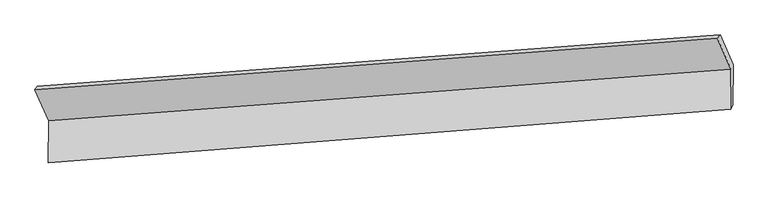
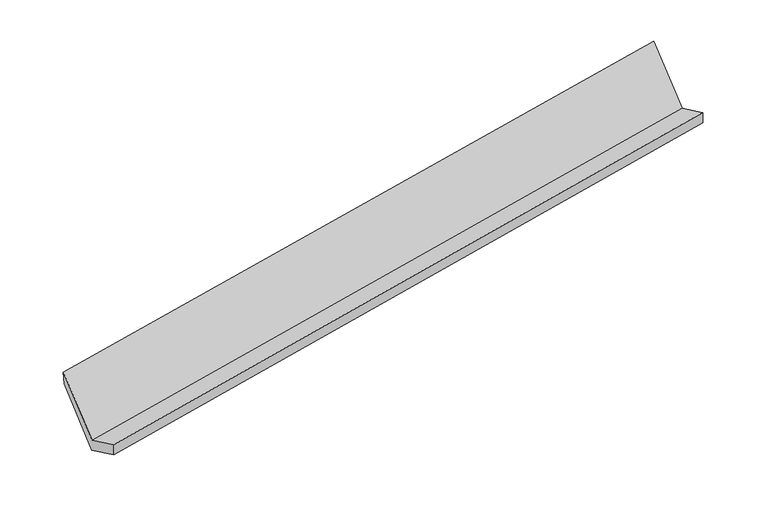
"""IFC4 building model written with IfcOpenShell, lengths in millimetres: proxy geometry."""

import ifcopenshell
import ifcopenshell.guid

model = None  # the IFC model being written
_history = None  # IfcOwnerHistory: only IFC2X3 demands one
_inside = {}  # id of a spatial element -> (the spatial element, [elements in it])
_under = {}  # id of a project, library or spatial element -> (it, [spatial elements below it])
_declared = {}  # id of a project -> (the project, [libraries it declares])
_typed = {}  # id of a type object -> (the type object, [elements of that type])
_made_of = {}  # id of a material, layer set ... -> (it, [elements and type objects made of it])


def new_model(schema):
    """Start an empty IFC model of exactly this schema.

    Asked for "IFC4X3", IfcOpenShell would pick the latest addendum, in which some entities
    have other attributes; the version numbers below select the first issue.
    IFC2X3 requires an IfcOwnerHistory on every rooted entity: one is made here for all.
    """
    global model, _history
    if schema == "IFC4X3":
        model = ifcopenshell.file(schema_version=(4, 3, 0, 0))
    else:
        model = ifcopenshell.file(schema=schema)
    _inside.clear()
    _under.clear()
    _declared.clear()
    _typed.clear()
    _made_of.clear()
    _history = None
    if model.schema == "IFC2X3":
        org = make("IfcOrganization", Name="unknown")
        user = make(
            "IfcPersonAndOrganization",
            ThePerson=make("IfcPerson", FamilyName="unknown"),
            TheOrganization=org,
        )
        app = make(
            "IfcApplication",
            ApplicationDeveloper=org,
            Version="unknown",
            ApplicationFullName="unknown",
            ApplicationIdentifier="unknown",
        )
        _history = make(
            "IfcOwnerHistory",
            OwningUser=user,
            OwningApplication=app,
            ChangeAction="ADDED",
            CreationDate=0,
        )
    return model


def make(cls, **values):
    """One entity of the class cls with the attributes given. An attribute that is None is left unset."""
    return model.create_entity(
        cls, **{name: value for name, value in values.items() if value is not None}
    )


def rooted(cls, **values):
    """An entity with a GlobalId (a new one), such as an element, a storey or a relation."""
    return make(cls, GlobalId=ifcopenshell.guid.new(), OwnerHistory=_history, **values)


def si_unit(unit_type, name, prefix=None):
    """IfcSIUnit, for example si_unit("LENGTHUNIT", "METRE", prefix="MILLI")."""
    return make("IfcSIUnit", UnitType=unit_type, Prefix=prefix, Name=name)


def assignment(units):
    """IfcUnitAssignment: the units of a project."""
    return None if units is None else make("IfcUnitAssignment", Units=units)


def point(xyz):
    """IfcCartesianPoint."""
    return None if xyz is None else make("IfcCartesianPoint", Coordinates=xyz)


def direction(xyz):
    """IfcDirection."""
    return None if xyz is None else make("IfcDirection", DirectionRatios=xyz)


def frame(location, z_axis=None, x_axis=None):
    """IfcAxis2Placement3D, a coordinate frame: its origin and axes. An axis left out is left unset."""
    return make(
        "IfcAxis2Placement3D",
        Location=point(location),
        Axis=direction(z_axis),
        RefDirection=direction(x_axis),
    )


def origin():
    """The frame at (0, 0, 0) with its axes left unset."""
    return frame((0.0, 0.0, 0.0))


def place(relative_to, where):
    """IfcLocalPlacement: puts the frame where relative to a parent placement (None: the world)."""
    return make(
        "IfcLocalPlacement", PlacementRelTo=relative_to, RelativePlacement=where
    )


def context(
    kind, dimensions, precision=None, world=None, true_north=None, identifier=None
):
    """IfcGeometricRepresentationContext, for example the 3D "Model" context."""
    return make(
        "IfcGeometricRepresentationContext",
        ContextIdentifier=identifier,
        ContextType=kind,
        CoordinateSpaceDimension=dimensions,
        Precision=precision,
        WorldCoordinateSystem=world,
        TrueNorth=true_north,
    )


def project(units=None, contexts=None):
    """IfcProject with its units and contexts."""
    return rooted(
        "IfcProject",
        Name="project",
        RepresentationContexts=contexts,
        UnitsInContext=assignment(units),
    )


def spatial(cls, under=None, at=None, **own):
    """A site, building, storey or space (cls), placed at a placement, below another one or the project."""
    s = rooted(cls, ObjectPlacement=at, **own)
    if under is not None:
        _under.setdefault(under.id(), (under, []))[1].append(s)
    return s


def faces_of(points, faces, orient=None, outer=None):
    """IfcFace entities. A face is a list of loops; a loop is a list of indices into points, from 0.

    orient and outer hold one flag for each loop. By default every Orientation is true, the
    first loop of a face is its IfcFaceOuterBound and the others are IfcFaceBound.
    """
    made = []
    for i, loops in enumerate(faces):
        bounds = []
        for j, loop in enumerate(loops):
            is_outer = j == 0 if outer is None else outer[i][j]
            bounds.append(
                make(
                    "IfcFaceOuterBound" if is_outer else "IfcFaceBound",
                    Bound=make("IfcPolyLoop", Polygon=[points[k] for k in loop]),
                    Orientation=True if orient is None else orient[i][j],
                )
            )
        made.append(make("IfcFace", Bounds=bounds))
    return made


def faceted_brep(points, faces, orient=None, outer=None, voids=None):
    """IfcFacetedBrep: a solid bounded by flat faces; with voids (closed shells), ...WithVoids."""
    shared = [point(p) for p in points]
    hull = make("IfcClosedShell", CfsFaces=faces_of(shared, faces, orient, outer))
    if voids is None:
        return make("IfcFacetedBrep", Outer=hull)
    return make(
        "IfcFacetedBrepWithVoids",
        Outer=hull,
        Voids=[
            make(cls, CfsFaces=faces_of(shared, fs, o, b)) for cls, fs, o, b in voids
        ],
    )


def shape(context_of_items, identifier, shape_type, items):
    """IfcShapeRepresentation: the items that make up one representation, for example the "Body"."""
    return make(
        "IfcShapeRepresentation",
        ContextOfItems=context_of_items,
        RepresentationIdentifier=identifier,
        RepresentationType=shape_type,
        Items=items,
    )


def source(mapping_origin, context_of_items, identifier, shape_type, items):
    """IfcRepresentationMap: a shape defined once, which mapped items show again and again."""
    return make(
        "IfcRepresentationMap",
        MappingOrigin=mapping_origin,
        MappedRepresentation=shape(context_of_items, identifier, shape_type, items),
    )


def transform(
    local_origin,
    x_axis=None,
    y_axis=None,
    z_axis=None,
    scale=None,
    scale2=None,
    scale3=None,
    uniform=True,
):
    """IfcCartesianTransformationOperator3D, or its non-uniform kind. x_axis, y_axis, z_axis: its Axis1, 2, 3."""
    if uniform:
        return make(
            "IfcCartesianTransformationOperator3D",
            Axis1=direction(x_axis),
            Axis2=direction(y_axis),
            LocalOrigin=point(local_origin),
            Scale=scale,
            Axis3=direction(z_axis),
        )
    return make(
        "IfcCartesianTransformationOperator3DnonUniform",
        Axis1=direction(x_axis),
        Axis2=direction(y_axis),
        LocalOrigin=point(local_origin),
        Scale=scale,
        Axis3=direction(z_axis),
        Scale2=scale2,
        Scale3=scale3,
    )


def mapped(mapping_source, mapping_target):
    """IfcMappedItem: shows the shape of a source again, moved by a transform."""
    return make(
        "IfcMappedItem", MappingSource=mapping_source, MappingTarget=mapping_target
    )


def made_of(thing, what):
    """Note that an element or type object is made of a material, layer set ...; save() writes the relation."""
    if what is not None:
        _made_of.setdefault(what.id(), (what, []))[1].append(thing)
    return thing


def element(
    cls,
    number,
    at=None,
    inside=None,
    cuts=None,
    type_object=None,
    material=None,
    context=None,
    identifier="Body",
    shape_type=None,
    held_by="IfcProductDefinitionShape",
    body=None,
    shapes=None,
    **own,
):
    """One element of the class cls, such as IfcWall. Its Tag is "e" and its number.

    at: its placement. inside: the storey or other place that contains it. cuts: it is an
    opening in that element (IfcRelVoidsElement). A single representation is given by context,
    identifier, shape_type and body (its items); several are given by shapes. held_by: the class
    of the entity that holds the representations. save() writes the other relations.
    """
    e = rooted(cls, Tag="e%d" % number, ObjectPlacement=at, **own)
    if body is not None:
        shapes = [shape(context, identifier, shape_type, body)]
    if shapes is not None:
        e.Representation = make(held_by, Representations=shapes)
    if inside is not None:
        _inside.setdefault(inside.id(), (inside, []))[1].append(e)
    if cuts is not None:
        rooted(
            "IfcRelVoidsElement", RelatingBuildingElement=cuts, RelatedOpeningElement=e
        )
    if type_object is not None:
        _typed.setdefault(type_object.id(), (type_object, []))[1].append(e)
    return made_of(e, material)


def aggregate(whole, parts):
    """IfcRelAggregates: a whole, such as a stair, and the parts it consists of."""
    return rooted("IfcRelAggregates", RelatingObject=whole, RelatedObjects=parts)


def save(model, path):
    """Write the relations noted so far, then the file.

    IfcRelAggregates (storeys below a building ...), IfcRelContainedInSpatialStructure (elements
    in a storey), IfcRelDefinesByType, IfcRelAssociatesMaterial and IfcRelDeclares: one each for
    every whole, place, type object, material and project.
    """
    for whole, parts in _under.values():
        aggregate(whole, parts)
    for where, things in _inside.values():
        rooted(
            "IfcRelContainedInSpatialStructure",
            RelatedElements=things,
            RelatingStructure=where,
        )
    for kind, things in _typed.values():
        rooted("IfcRelDefinesByType", RelatedObjects=things, RelatingType=kind)
    for what, things in _made_of.values():
        rooted("IfcRelAssociatesMaterial", RelatedObjects=things, RelatingMaterial=what)
    for by, libraries in _declared.values():
        rooted("IfcRelDeclares", RelatingContext=by, RelatedDefinitions=libraries)
    model.write(path)


def generic_models_02f445bc(model_context):
    return source(origin(), model_context, "Body", "Brep", [
        faceted_brep([(-6003.7835468, -1732.3106486, 1190.4705585), (-6005.0921649, -2124.4425925, 1378.2790473), (342.9870145, -1625.0947489, 2465.1173104), (344.235437, -1251.0006222, 2285.9478913), (-5983.9522192, -2088.1754169, 1238.1404542), (364.1269602, -1588.8275732, 2324.9787173), (-5982.6387073, -1694.5770191, 1049.6296189), (365.3802765, -1213.2669927, 2145.1069517), (-6106.2761843, -1410.7519725, 1641.3764228), (243.5941098, -933.6918568, 2727.9931174), (-6130.341216, -1441.7819413, 1796.1938237), (219.5290781, -964.7218256, 2882.8105183)], [[[0, 1, 2, 3]], [[1, 4, 5, 2]], [[4, 6, 7, 5]], [[6, 8, 9, 7]], [[8, 10, 11, 9]], [[10, 0, 3, 11]], [[9, 11, 3, 2, 5, 7]], [[0, 10, 8, 6, 4, 1]]]),
    ])


if __name__ == "__main__":
    model = new_model("IFC4")
    model_context = context("Model", 3, world=origin())
    ifc_project = project(units=[si_unit("LENGTHUNIT", "METRE", prefix="MILLI")], contexts=[model_context])
    site = spatial("IfcSite", under=ifc_project)
    building = spatial("IfcBuilding", under=site)
    placement = place(None, origin())
    generic_models_shape = generic_models_02f445bc(model_context)
    element("IfcBuildingElementProxy", 1, Name="Generic Models", at=placement, inside=building, context=model_context, shape_type="MappedRepresentation", body=[
        mapped(generic_models_shape, transform((0.0, 0.0, 0.0), x_axis=(1.0, 0.0, 0.0), y_axis=(0.0, 1.0, 0.0), z_axis=(0.0, 0.0, 1.0))),
    ])
    save(model, "model.ifc")
